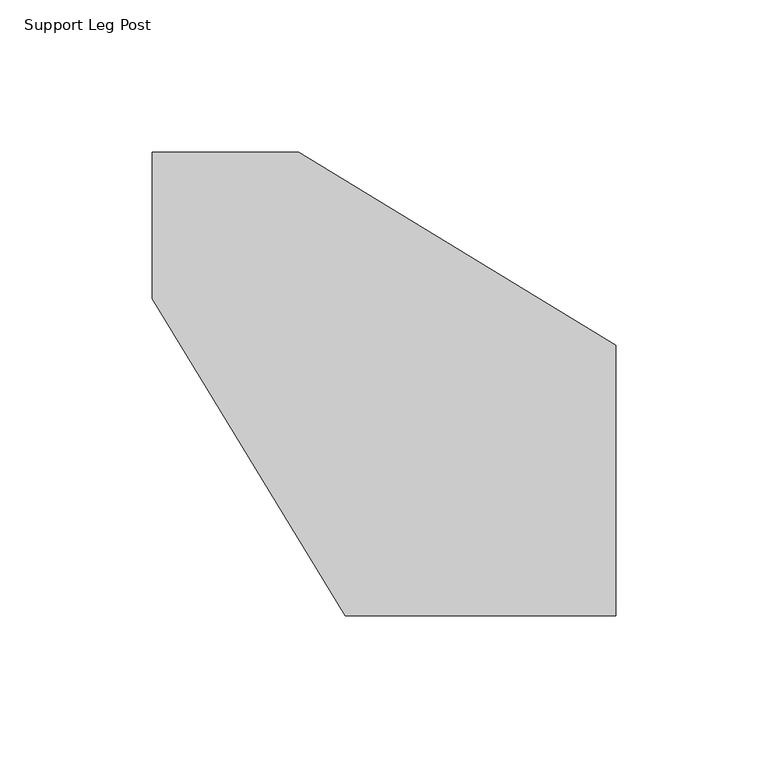
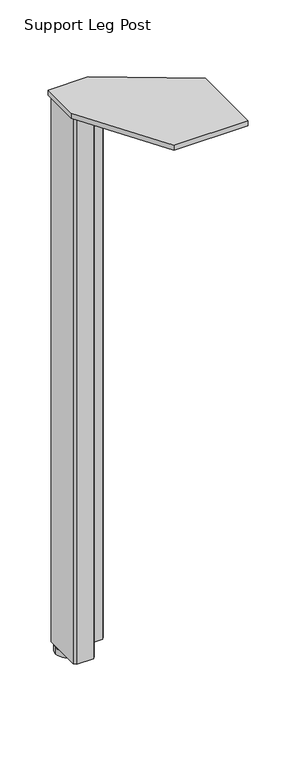
"""IFC4 building model written with IfcOpenShell, lengths in millimetres: furniture geometry, Support Leg Post."""

from ifc_helpers import new_model, si_unit, frame, origin, place, context, project, spatial, polyline, circle_curve, outline, extrude, source, transform, mapped, element, save
from ifc_brep_helpers import plane_surface, cylinder_surface, advanced_brep


def support_leg_post_4a5fd743(model_context):
    return source(origin(), model_context, "Body", "SolidModel", [
        extrude(outline(polyline([(-739.4312718, 264.4325201), (-635.2912718, 200.9325201), (-635.2912718, 112.0325201), (-724.1912718, 112.0325201), (-787.6912718, 216.1725201), (-787.6912718, 264.4325201), (-739.4312718, 264.4325201)])), frame((0.0, 0.0, 700.3796), z_axis=(0.0, 0.0, 1.0), x_axis=(1.0, 0.0, 0.0)), (0.0, 0.0, 1.0), 6.35),
        extrude(outline(polyline([(-737.9072718, 262.9085201), (-735.3672718, 260.3685201), (-735.3672718, 240.0485201), (-737.9072718, 237.5085201), (-760.7672718, 237.5085201), (-760.7672718, 214.6485201), (-763.3072718, 212.1085201), (-783.6272718, 212.1085201), (-786.1672718, 214.6485201), (-786.1672718, 260.3685201), (-783.6272718, 262.9085201), (-737.9072718, 262.9085201)])), frame((0.0, 0.0, 8.6614), z_axis=(0.0, 0.0, 1.0), x_axis=(1.0, 0.0, 0.0)), (0.0, 0.0, 1.0), 691.7182),
        advanced_brep(
        [(-758.5447718, 249.5735201, 0.0), (-787.1197718, 249.5735201, 0.0), (-772.8322718, 249.5735201, 0.0), (-758.5447718, 249.5735201, 7.874), (-787.1197718, 249.5735201, 7.874), (-768.0697718, 249.5735201, 7.874), (-777.5947718, 249.5735201, 7.874), (-768.0697718, 249.5735201, 8.6614), (-777.5947718, 249.5735201, 8.6614), (-772.8322718, 249.5735201, 8.6614)],
        [
            (0, 1, circle_curve(frame((-772.8322718, 249.5735201, 0.0), z_axis=(0.0, 0.0, -1.0), x_axis=(-1.0, 0.0, 0.0)), 14.2875)),
            (1, 2),
            (2, 0),
            (1, 0, circle_curve(frame((-772.8322718, 249.5735201, 0.0), z_axis=(0.0, 0.0, -1.0), x_axis=(-1.0, 0.0, 0.0)), 14.2875)),
            (3, 4, circle_curve(frame((-772.8322718, 249.5735201, 7.874), z_axis=(0.0, 0.0, -1.0), x_axis=(-1.0, 0.0, 0.0)), 14.2875)),
            (4, 1),
            (0, 3),
            (4, 3, circle_curve(frame((-772.8322718, 249.5735201, 7.874), z_axis=(0.0, 0.0, -1.0), x_axis=(-1.0, 0.0, 0.0)), 14.2875)),
            (5, 6, circle_curve(frame((-772.8322718, 249.5735201, 7.874), z_axis=(0.0, 0.0, -1.0), x_axis=(-1.0, 0.0, 0.0)), 4.7625)),
            (6, 4),
            (3, 5),
            (6, 5, circle_curve(frame((-772.8322718, 249.5735201, 7.874), z_axis=(0.0, 0.0, -1.0), x_axis=(-1.0, 0.0, 0.0)), 4.7625)),
            (7, 8, circle_curve(frame((-772.8322718, 249.5735201, 8.6614), z_axis=(0.0, 0.0, -1.0), x_axis=(-1.0, 0.0, 0.0)), 4.7625)),
            (8, 6),
            (5, 7),
            (8, 7, circle_curve(frame((-772.8322718, 249.5735201, 8.6614), z_axis=(0.0, 0.0, -1.0), x_axis=(-1.0, 0.0, 0.0)), 4.7625)),
            (9, 8),
            (7, 9),
        ],
        [
            plane_surface(frame((-772.8322718, 249.5735201, 0.0), z_axis=(0.0, 0.0, -1.0), x_axis=(-1.0, 0.0, 0.0))),
            cylinder_surface(frame((-772.8322718, 249.5735201, -2.6032322), z_axis=(0.0, 0.0, 1.0), x_axis=(-1.0, 0.0, 0.0)), 14.2875),
            plane_surface(frame((-772.8322718, 249.5735201, 7.874), z_axis=(0.0, 0.0, 1.0), x_axis=(-1.0, 0.0, 0.0))),
            cylinder_surface(frame((-772.8322718, 249.5735201, -2.6032322), z_axis=(0.0, 0.0, 1.0), x_axis=(-1.0, 0.0, 0.0)), 4.7625),
            plane_surface(frame((-772.8322718, 249.5735201, 8.6614), z_axis=(0.0, 0.0, 1.0), x_axis=(-1.0, 0.0, 0.0))),
        ],
        [
            (0, [[1, 2, 3]]),
            (0, [[4, -3, -2]]),
            (1, [[5, 6, -1, 7]]),
            (1, [[8, -7, -4, -6]]),
            (2, [[9, 10, -5, 11]]),
            (2, [[12, -11, -8, -10]]),
            (3, [[13, 14, -9, 15]]),
            (3, [[16, -15, -12, -14]]),
            (4, [[17, -13, 18]]),
            (4, [[-18, -16, -17]]),
        ],
    ),
    ])


if __name__ == "__main__":
    model = new_model("IFC4")
    model_context = context("Model", 3, world=origin())
    ifc_project = project(units=[si_unit("LENGTHUNIT", "METRE", prefix="MILLI")], contexts=[model_context])
    site = spatial("IfcSite", under=ifc_project)
    building = spatial("IfcBuilding", under=site)
    placement = place(None, origin())
    support_leg_post_shape = support_leg_post_4a5fd743(model_context)
    element("IfcFurniture", 1, ObjectType="Support Leg Post", at=placement, inside=building, context=model_context, shape_type="MappedRepresentation", body=[
        mapped(support_leg_post_shape, transform((0.0, 0.0, 0.0), x_axis=(1.0, 0.0, 0.0), y_axis=(0.0, 1.0, 0.0), z_axis=(0.0, 0.0, 1.0))),
    ])
    save(model, "model.ifc")
